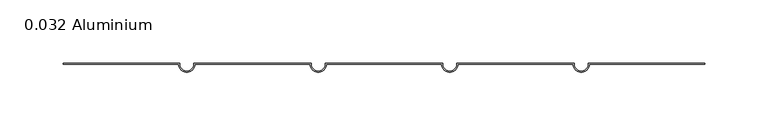
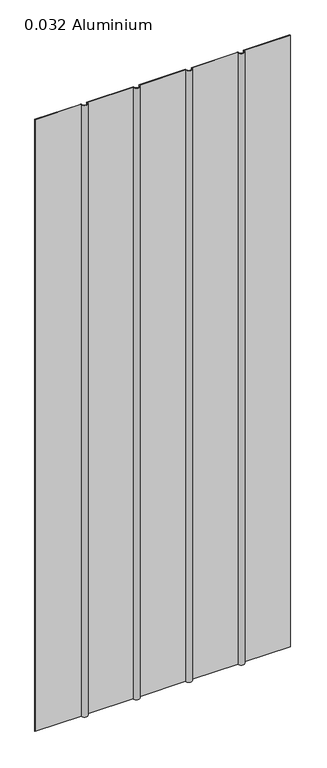
"""IFC4 building model written with IfcOpenShell, lengths in millimetres: plate geometry, 0.032 Aluminium."""

from ifc_helpers import new_model, si_unit, point, frame_2d, origin, origin_with_axes, place, context, project, spatial, polyline, circle_curve, trimmed, segment, composite_curve, outline, extrude, source, transform, mapped, element, save


def plate_0_032_aluminium_9ac9a1cd(model_context):
    return source(origin(), model_context, "Body", "SweptSolid", [
        extrude(outline(composite_curve([segment(polyline([(45.68698, 0.0), (-45.68698, 0.0)]), True, "CONTINUOUS"), segment(trimmed(circle_curve(frame_2d((-52.03698, 0.0)), 6.35), [point((-45.68698, 0.0))], [point((-58.38698, 0.0))], False, "CARTESIAN"), True, "CONTINUOUS"), segment(polyline([(-58.38698, 0.0), (-149.76094, 0.0)]), True, "CONTINUOUS"), segment(trimmed(circle_curve(frame_2d((-156.11094, 0.0)), 6.35), [point((-149.76094, 0.0))], [point((-162.46094, 0.0))], False, "CARTESIAN"), True, "CONTINUOUS"), segment(polyline([(-162.46094, 0.0), (-254.0, 0.0), (-254.0, 0.8128), (-161.64814, 0.8128), (-161.64814, 0.0)]), True, "CONTINUOUS"), segment(trimmed(circle_curve(frame_2d((-156.11094, 0.0)), 5.5372), [point((-161.64814, 0.0))], [point((-150.57374, 0.0))], True, "CARTESIAN"), True, "CONTINUOUS"), segment(polyline([(-150.57374, 0.0), (-150.57374, 0.8128), (-57.57418, 0.8128), (-57.57418, 0.0)]), True, "CONTINUOUS"), segment(trimmed(circle_curve(frame_2d((-52.03698, 0.0)), 5.5372), [point((-57.57418, 0.0))], [point((-46.49978, 0.0))], True, "CARTESIAN"), True, "CONTINUOUS"), segment(polyline([(-46.49978, 0.0), (-46.49978, 0.8128), (46.49978, 0.8128), (46.49978, 0.0)]), True, "CONTINUOUS"), segment(trimmed(circle_curve(frame_2d((52.03698, 0.0)), 5.5372), [point((46.49978, 0.0))], [point((57.57418, 0.0))], True, "CARTESIAN"), True, "CONTINUOUS"), segment(polyline([(57.57418, 0.0), (57.57418, 0.8128), (150.57374, 0.8128), (150.57374, 0.0)]), True, "CONTINUOUS"), segment(trimmed(circle_curve(frame_2d((156.11094, 0.0)), 5.5372), [point((150.57374, 0.0))], [point((161.64814, 0.0))], True, "CARTESIAN"), True, "CONTINUOUS"), segment(polyline([(161.64814, 0.0), (161.64814, 0.8128), (254.0, 0.8128), (254.0, 0.0), (162.46094, 0.0)]), True, "CONTINUOUS"), segment(trimmed(circle_curve(frame_2d((156.11094, 0.0)), 6.35), [point((162.46094, 0.0))], [point((149.76094, 0.0))], False, "CARTESIAN"), True, "CONTINUOUS"), segment(polyline([(149.76094, 0.0), (58.38698, 0.0)]), True, "CONTINUOUS"), segment(trimmed(circle_curve(frame_2d((52.03698, 0.0)), 6.35), [point((58.38698, 0.0))], [point((45.68698, 0.0))], False, "CARTESIAN"), True, "CONTINUOUS")], self_intersect=False)), origin_with_axes(), (0.0, 0.0, 1.0), 1285.875),
    ])


if __name__ == "__main__":
    model = new_model("IFC4")
    model_context = context("Model", 3, world=origin())
    ifc_project = project(units=[si_unit("LENGTHUNIT", "METRE", prefix="MILLI")], contexts=[model_context])
    site = spatial("IfcSite", under=ifc_project)
    building = spatial("IfcBuilding", under=site)
    placement = place(None, origin())
    plate_0_032_aluminium_shape = plate_0_032_aluminium_9ac9a1cd(model_context)
    element("IfcPlate", 1, ObjectType="0.032 Aluminium", at=placement, inside=building, context=model_context, shape_type="MappedRepresentation", body=[
        mapped(plate_0_032_aluminium_shape, transform((0.0, 0.0, 0.0), x_axis=(1.0, 0.0, 0.0), y_axis=(0.0, 1.0, 0.0), z_axis=(0.0, 0.0, 1.0))),
    ])
    save(model, "model.ifc")
